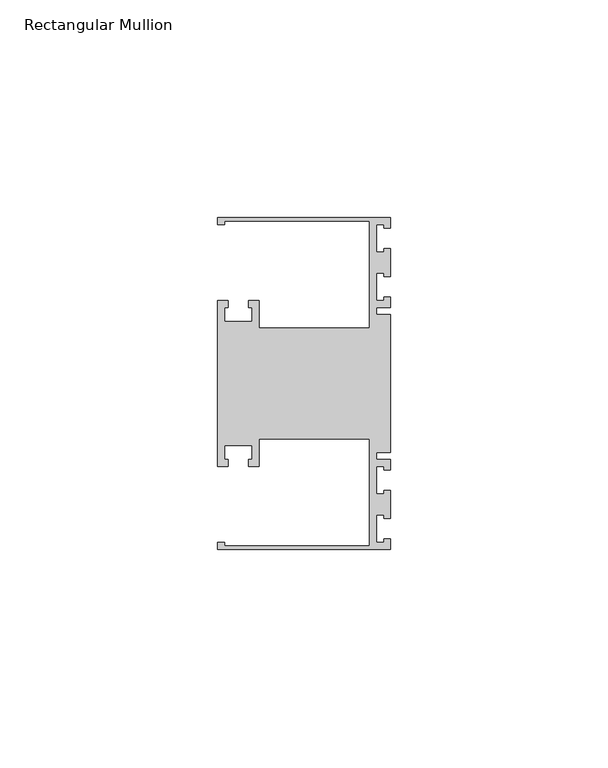
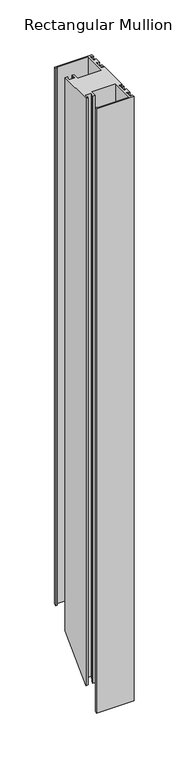
"""IFC4 building model written with IfcOpenShell, lengths in millimetres: member geometry, Rectangular Mullion."""

from ifc_helpers import new_model, si_unit, origin, place, context, project, spatial, faceted_brep, source, transform, mapped, element, save


def rectangular_mullion_b0cf4ae8(model_context):
    return source(origin(), model_context, "Body", "Brep", [
        faceted_brep([(0.0, -38.1, 0.0), (0.0, -35.71875, 0.0), (-1.4999946, -35.71875, 0.0), (-1.4999946, -36.5125, 0.0), (-3.175, -36.5125, 0.0), (-3.175, -30.1625, 0.0), (-1.4999946, -30.1625, 0.0), (-1.4999946, -30.95625, 0.0), (0.0, -30.95625, 0.0), (0.0, -24.60625, 0.0), (-1.4999946, -24.60625, 0.0), (-1.4999946, -25.4, 0.0), (-3.175, -25.4, 0.0), (-3.175, -19.05, 0.0), (-1.4999946, -19.05, 0.0), (-1.4999946, -19.84375, 0.0), (0.0, -19.84375, 0.0), (0.0, -17.4625, 0.0), (-3.175, -17.4625, 0.0), (-3.175, -15.875, 0.0), (0.0, -15.875, 0.0), (0.0, 15.875, 0.0), (-3.175, 15.875, 0.0), (-3.175, 17.4625, 0.0), (0.0, 17.4625, 0.0), (0.0, 19.84375, 0.0), (-1.4999946, 19.84375, 0.0), (-1.4999946, 19.05, 0.0), (-3.175, 19.05, 0.0), (-3.175, 25.4, 0.0), (-1.4999946, 25.4, 0.0), (-1.4999946, 24.60625, 0.0), (0.0, 24.60625, 0.0), (0.0, 30.95625, 0.0), (-1.4999946, 30.95625, 0.0), (-1.4999946, 30.1625, 0.0), (-3.175, 30.1625, 0.0), (-3.175, 36.5125, 0.0), (-1.4999946, 36.5125, 0.0), (-1.4999946, 35.71875, 0.0), (0.0, 35.71875, 0.0), (0.0, 38.1, 0.0), (-39.6875, 38.1, 0.0), (-39.6875, 36.5125, 0.0), (-38.1, 36.5125, 0.0), (-38.1, 37.30625, 0.0), (-4.7625, 37.30625, 0.0), (-4.7625, 12.7, 0.0), (-30.1625, 12.7, 0.0), (-30.1625, 19.05, 0.0), (-32.54375, 19.05, 0.0), (-32.54375, 17.4625, 0.0), (-31.75, 17.4625, 0.0), (-31.75, 14.2875, 0.0), (-38.1, 14.2875, 0.0), (-38.1, 17.4625, 0.0), (-37.30625, 17.4625, 0.0), (-37.30625, 19.05, 0.0), (-39.6875, 19.05, 0.0), (-39.6875, -19.05, 0.0), (-37.30625, -19.05, 0.0), (-37.30625, -17.4625, 0.0), (-38.1, -17.4625, 0.0), (-38.1, -14.2875, 0.0), (-31.75, -14.2875, 0.0), (-31.75, -17.4625, 0.0), (-32.54375, -17.4625, 0.0), (-32.54375, -19.05, 0.0), (-30.1625, -19.05, 0.0), (-30.1625, -12.7, 0.0), (-4.7625, -12.7, 0.0), (-4.7625, -37.30625, 0.0), (-38.1, -37.30625, 0.0), (-38.1, -36.5125, 0.0), (-39.6875, -36.5125, 0.0), (-39.6875, -38.1, 0.0), (0.0, -38.1, -673.1), (0.0, -35.71875, -670.71875), (-1.4999946, -35.71875, -670.71875), (-1.4999946, -36.5125, -671.5125), (-3.175, -36.5125, -671.5125), (-3.175, -30.1625, -665.1625), (-1.4999946, -30.1625, -665.1625), (-1.4999946, -30.95625, -665.95625), (0.0, -30.95625, -665.95625), (0.0, -24.60625, -659.60625), (-1.4999946, -24.60625, -659.60625), (-1.4999946, -25.4, -660.4), (-3.175, -25.4, -660.4), (-3.175, -19.05, -654.05), (-1.4999946, -19.05, -654.05), (-1.4999946, -19.84375, -654.84375), (0.0, -19.84375, -654.84375), (0.0, -17.4625, -652.4625), (-3.175, -17.4625, -652.4625), (-3.175, -15.875, -650.875), (0.0, -15.875, -650.875), (0.0, 15.875, -619.125), (-3.175, 15.875, -619.125), (-3.175, 17.4625, -617.5375), (0.0, 17.4625, -617.5375), (0.0, 19.84375, -615.15625), (-1.4999946, 19.84375, -615.15625), (-1.4999946, 19.05, -615.95), (-3.175, 19.05, -615.95), (-3.175, 25.4, -609.6), (-1.4999946, 25.4, -609.6), (-1.4999946, 24.60625, -610.39375), (0.0, 24.60625, -610.39375), (0.0, 30.95625, -604.04375), (-1.4999946, 30.95625, -604.04375), (-1.4999946, 30.1625, -604.8375), (-3.175, 30.1625, -604.8375), (-3.175, 36.5125, -598.4875), (-1.4999946, 36.5125, -598.4875), (-1.4999946, 35.71875, -599.28125), (0.0, 35.71875, -599.28125), (0.0, 38.1, -596.9), (-39.6875, 38.1, -596.9), (-39.6875, 36.5125, -598.4875), (-38.1, 36.5125, -598.4875), (-38.1, 37.30625, -597.69375), (-4.7625, 37.30625, -597.69375), (-4.7625, 12.7, -622.3), (-30.1625, 12.7, -622.3), (-30.1625, 19.05, -615.95), (-32.54375, 19.05, -615.95), (-32.54375, 17.4625, -617.5375), (-31.75, 17.4625, -617.5375), (-31.75, 14.2875, -620.7125), (-38.1, 14.2875, -620.7125), (-38.1, 17.4625, -617.5375), (-37.30625, 17.4625, -617.5375), (-37.30625, 19.05, -615.95), (-39.6875, 19.05, -615.95), (-39.6875, -19.05, -654.05), (-37.30625, -19.05, -654.05), (-37.30625, -17.4625, -652.4625), (-38.1, -17.4625, -652.4625), (-38.1, -14.2875, -649.2875), (-31.75, -14.2875, -649.2875), (-31.75, -17.4625, -652.4625), (-32.54375, -17.4625, -652.4625), (-32.54375, -19.05, -654.05), (-30.1625, -19.05, -654.05), (-30.1625, -12.7, -647.7), (-4.7625, -12.7, -647.7), (-4.7625, -37.30625, -672.30625), (-38.1, -37.30625, -672.30625), (-38.1, -36.5125, -671.5125), (-39.6875, -36.5125, -671.5125), (-39.6875, -38.1, -673.1)], [[[0, 1, 2, 3, 4, 5, 6, 7, 8, 9, 10, 11, 12, 13, 14, 15, 16, 17, 18, 19, 20, 21, 22, 23, 24, 25, 26, 27, 28, 29, 30, 31, 32, 33, 34, 35, 36, 37, 38, 39, 40, 41, 42, 43, 44, 45, 46, 47, 48, 49, 50, 51, 52, 53, 54, 55, 56, 57, 58, 59, 60, 61, 62, 63, 64, 65, 66, 67, 68, 69, 70, 71, 72, 73, 74, 75]], [[1, 0, 76, 77]], [[2, 1, 77, 78]], [[3, 2, 78, 79]], [[4, 3, 79, 80]], [[5, 4, 80, 81]], [[6, 5, 81, 82]], [[7, 6, 82, 83]], [[8, 7, 83, 84]], [[9, 8, 84, 85]], [[10, 9, 85, 86]], [[11, 10, 86, 87]], [[12, 11, 87, 88]], [[13, 12, 88, 89]], [[14, 13, 89, 90]], [[15, 14, 90, 91]], [[16, 15, 91, 92]], [[17, 16, 92, 93]], [[18, 17, 93, 94]], [[19, 18, 94, 95]], [[20, 19, 95, 96]], [[21, 20, 96, 97]], [[22, 21, 97, 98]], [[23, 22, 98, 99]], [[24, 23, 99, 100]], [[25, 24, 100, 101]], [[26, 25, 101, 102]], [[27, 26, 102, 103]], [[28, 27, 103, 104]], [[29, 28, 104, 105]], [[30, 29, 105, 106]], [[31, 30, 106, 107]], [[32, 31, 107, 108]], [[33, 32, 108, 109]], [[34, 33, 109, 110]], [[35, 34, 110, 111]], [[36, 35, 111, 112]], [[37, 36, 112, 113]], [[38, 37, 113, 114]], [[39, 38, 114, 115]], [[40, 39, 115, 116]], [[41, 40, 116, 117]], [[42, 41, 117, 118]], [[43, 42, 118, 119]], [[44, 43, 119, 120]], [[45, 44, 120, 121]], [[46, 45, 121, 122]], [[47, 46, 122, 123]], [[48, 47, 123, 124]], [[49, 48, 124, 125]], [[50, 49, 125, 126]], [[51, 50, 126, 127]], [[52, 51, 127, 128]], [[53, 52, 128, 129]], [[54, 53, 129, 130]], [[55, 54, 130, 131]], [[56, 55, 131, 132]], [[57, 56, 132, 133]], [[58, 57, 133, 134]], [[59, 58, 134, 135]], [[60, 59, 135, 136]], [[61, 60, 136, 137]], [[62, 61, 137, 138]], [[63, 62, 138, 139]], [[64, 63, 139, 140]], [[65, 64, 140, 141]], [[66, 65, 141, 142]], [[67, 66, 142, 143]], [[68, 67, 143, 144]], [[69, 68, 144, 145]], [[70, 69, 145, 146]], [[71, 70, 146, 147]], [[72, 71, 147, 148]], [[73, 72, 148, 149]], [[74, 73, 149, 150]], [[75, 74, 150, 151]], [[0, 75, 151, 76]], [[76, 151, 150, 149, 148, 147, 146, 145, 144, 143, 142, 141, 140, 139, 138, 137, 136, 135, 134, 133, 132, 131, 130, 129, 128, 127, 126, 125, 124, 123, 122, 121, 120, 119, 118, 117, 116, 115, 114, 113, 112, 111, 110, 109, 108, 107, 106, 105, 104, 103, 102, 101, 100, 99, 98, 97, 96, 95, 94, 93, 92, 91, 90, 89, 88, 87, 86, 85, 84, 83, 82, 81, 80, 79, 78, 77]]]),
    ])


if __name__ == "__main__":
    model = new_model("IFC4")
    model_context = context("Model", 3, world=origin())
    ifc_project = project(units=[si_unit("LENGTHUNIT", "METRE", prefix="MILLI")], contexts=[model_context])
    site = spatial("IfcSite", under=ifc_project)
    building = spatial("IfcBuilding", under=site)
    placement = place(None, origin())
    rectangular_mullion_shape = rectangular_mullion_b0cf4ae8(model_context)
    element("IfcMember", 1, ObjectType="Rectangular Mullion", at=placement, inside=building, context=model_context, shape_type="MappedRepresentation", body=[
        mapped(rectangular_mullion_shape, transform((0.0, 0.0, 0.0), x_axis=(1.0, 0.0, 0.0), y_axis=(0.0, 1.0, 0.0), z_axis=(0.0, 0.0, 1.0))),
    ])
    save(model, "model.ifc")
